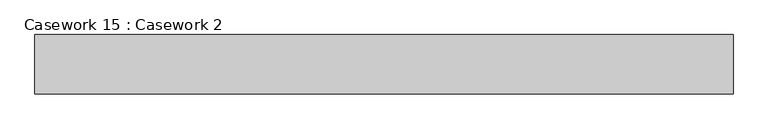
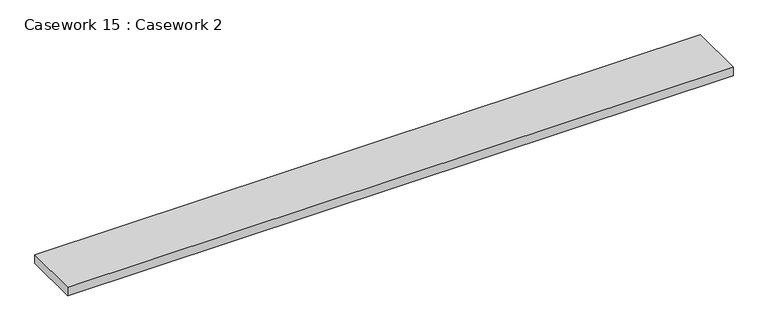
"""IFC4 building model written with IfcOpenShell, lengths in millimetres: furniture geometry, Casework 15 : Casework 2."""

from ifc_helpers import new_model, si_unit, frame, origin, place, context, project, spatial, polyline, outline, extrude, source, transform, mapped, element, save


def casework_15_casework_2_6b1f011b(model_context):
    return source(origin(), model_context, "Body", "SweptSolid", [
        extrude(outline(polyline([(-147915.9649341, -24672.0031642), (-147915.9649341, -24997.9327856), (-151738.8624109, -24997.9327856), (-151738.8624109, -24672.0031642), (-147915.9649341, -24672.0031642)])), frame((0.0, 0.0, 995.2155416), z_axis=(0.0, 0.0, 1.0), x_axis=(1.0, 0.0, 0.0)), (0.0, 0.0, 1.0), 51.1844584),
    ])


if __name__ == "__main__":
    model = new_model("IFC4")
    model_context = context("Model", 3, world=origin())
    ifc_project = project(units=[si_unit("LENGTHUNIT", "METRE", prefix="MILLI")], contexts=[model_context])
    site = spatial("IfcSite", under=ifc_project)
    building = spatial("IfcBuilding", under=site)
    placement = place(None, origin())
    casework_15_casework_2_shape = casework_15_casework_2_6b1f011b(model_context)
    element("IfcFurniture", 1, ObjectType="Casework 15 : Casework 2", at=placement, inside=building, context=model_context, shape_type="MappedRepresentation", body=[
        mapped(casework_15_casework_2_shape, transform((0.0, 0.0, 0.0), x_axis=(1.0, 0.0, 0.0), y_axis=(0.0, 1.0, 0.0), z_axis=(0.0, 0.0, 1.0))),
    ])
    save(model, "model.ifc")
